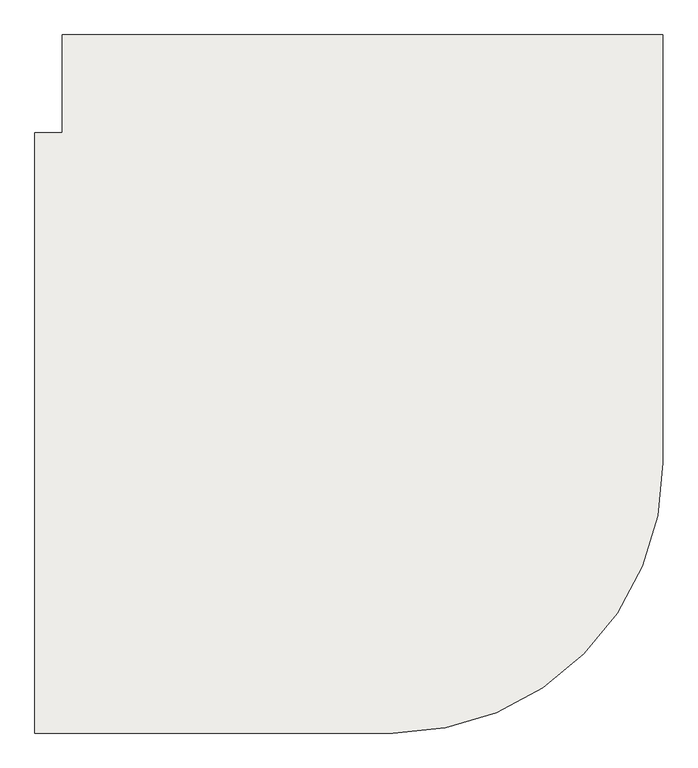
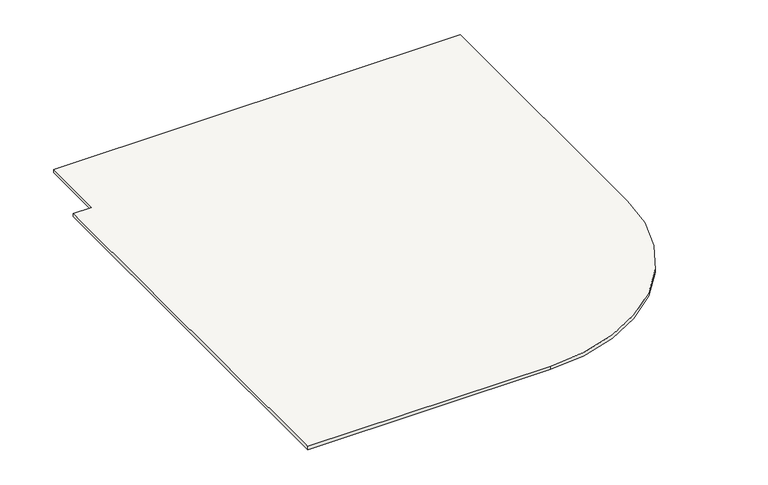
"""IFC4 building model written with IfcOpenShell, lengths in millimetres: slab geometry."""

from ifc_helpers import new_model, si_unit, point, frame, frame_2d, origin, place, context, project, spatial, polyline, circle_curve, trimmed, segment, composite_curve, outline, extrude, source, transform, mapped, element, save


def slab_db7be46a(model_context):
    return source(origin(), model_context, "Body", "SweptSolid", [
        extrude(outline(composite_curve([segment(polyline([(140373.7432689, 83115.1344505), (140483.87072, 83115.1344505), (140483.87072, 83505.6888948), (142883.87072, 83505.6888948), (142883.87072, 81795.1344505)]), True, "CONTINUOUS"), segment(trimmed(circle_curve(frame_2d((141803.87072, 81795.1344505)), 1080.0), [point((142883.87072, 81795.1344505))], [point((141803.87072, 80715.1344505))], False, "CARTESIAN"), True, "CONTINUOUS"), segment(polyline([(141803.87072, 80715.1344505), (140373.7432689, 80715.1344505), (140373.7432689, 83115.1344505)]), True, "CONTINUOUS")], self_intersect=False)), frame((0.0, 0.0, 9989.9828285), z_axis=(0.0, 0.0, 1.0), x_axis=(1.0, 0.0, 0.0)), (0.0, 0.0, 1.0), 20.0),
    ])


if __name__ == "__main__":
    model = new_model("IFC4")
    model_context = context("Model", 3, world=origin())
    ifc_project = project(units=[si_unit("LENGTHUNIT", "METRE", prefix="MILLI")], contexts=[model_context])
    site = spatial("IfcSite", under=ifc_project)
    building = spatial("IfcBuilding", under=site)
    placement = place(None, origin())
    slab_shape = slab_db7be46a(model_context)
    element("IfcSlab", 1, at=placement, inside=building, context=model_context, shape_type="MappedRepresentation", body=[
        mapped(slab_shape, transform((0.0, 0.0, 0.0), x_axis=(1.0, 0.0, 0.0), y_axis=(0.0, 1.0, 0.0), z_axis=(0.0, 0.0, 1.0))),
    ])
    save(model, "model.ifc")
